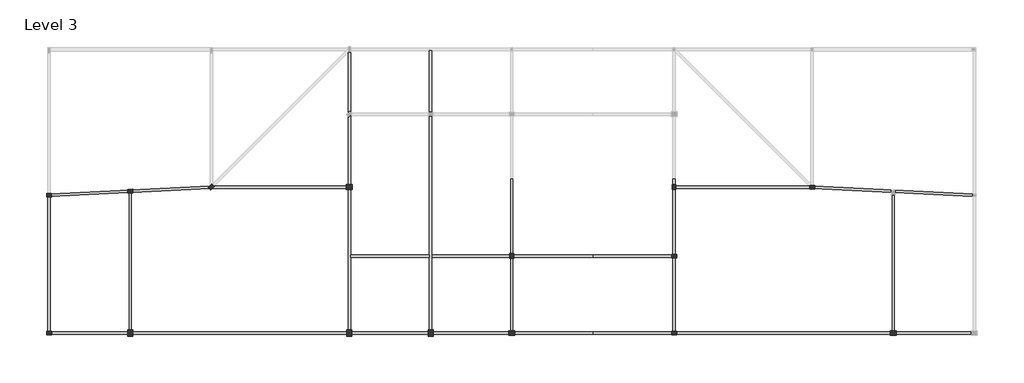
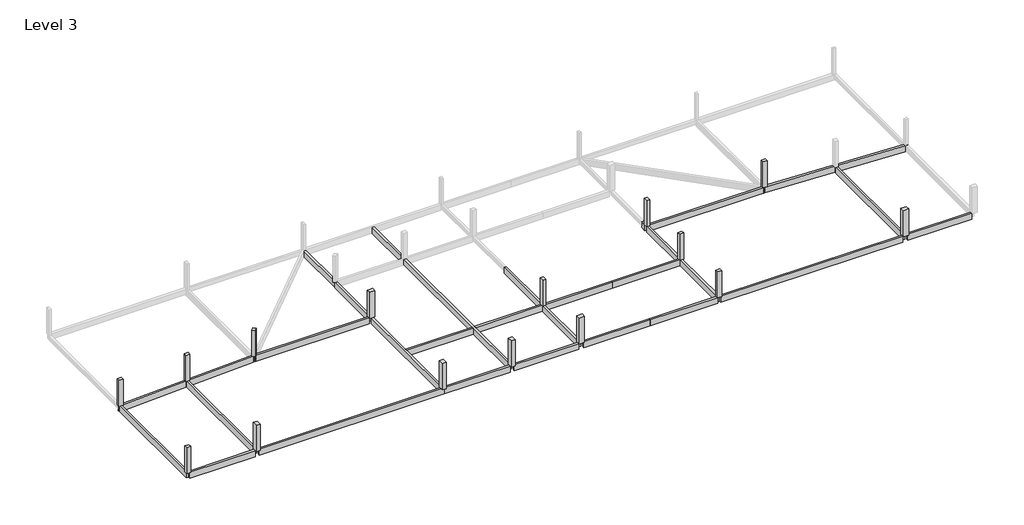
# One storey, part 1 of 2: 21 beams, 15 columns.
"""IFC4 building model written with IfcOpenShell, lengths in millimetres."""

from ifc_helpers import new_model, si_unit, frame, origin, place, context, project, spatial, polyline, outline, extrude, faceted_brep, element, save

model = new_model("IFC4")

# Units and contexts
model_context = context("Model", 3, world=origin())
ifc_project = project(units=[si_unit("LENGTHUNIT", "METRE", prefix="MILLI")], contexts=[model_context])

# Site, building, storey
site = spatial("IfcSite", under=ifc_project)
building = spatial("IfcBuilding", under=site)
storey = spatial("IfcBuildingStorey", under=building, Name="Level 3", Elevation=7000.0)

# Beams
placement = place(None, origin())
element("IfcBeam", 1, ObjectType="M_Concrete-Rectangular Beam : 300 x 900mm", at=placement, inside=storey, context=model_context, shape_type="Brep", body=[
    faceted_brep([(4827.3778836, -7184.5699055, 7000.0), (4827.3778836, -7104.0145569, 7000.0), (4742.5827798, -7188.8096607, 7000.0), (4827.3778836, -7184.5699055, 6100.0), (4742.5827798, -7188.8096607, 6100.0), (4827.3778836, -7104.0145569, 6100.0)], [[[0, 1, 2]], [[3, 0, 2, 4]], [[5, 3, 4]], [[0, 3, 5, 1]], [[2, 1, 5, 4]]]),
    faceted_brep([(4527.3778836, -6899.1951396, 7000.0), (4527.3778836, -6899.1951396, 6100.0), (-15472.6221164, -7899.1951396, 6100.0), (-15472.6221164, -7899.1951396, 6400.0), (-15472.6221164, -7899.1951396, 7000.0), (-15172.6221164, -7884.1951396, 7000.0), (4527.3778836, -6979.7504882, 7000.0), (4527.3778836, -6979.7504882, 6100.0), (-15472.6221164, -7924.2263701, 6100.0), (-15472.6221164, -7924.2263701, 7000.0), (4412.2128407, -7094.9155312, 6100.0), (4412.2128407, -7094.9155312, 7000.0), (4517.3677231, -7200.0704136, 7000.0), (4517.3677231, -7200.0704136, 6100.0), (-5176.5545868, -7459.4854546, 7000.0), (-5625.9931393, -7481.9573823, 7000.0), (-5625.9931393, -7481.9573823, 6100.0), (-5176.5545868, -7459.4854546, 6100.0), (-5165.318623, -7684.2047309, 7000.0), (-5165.318623, -7684.2047309, 6100.0), (-5614.7571755, -7706.6766585, 7000.0), (-5614.7571755, -7706.6766585, 6100.0), (-15029.2386168, -7902.0571951, 6100.0), (-15029.2386168, -7902.0571951, 7000.0), (-15016.7542126, -8151.7452799, 6100.0), (-15016.7542126, -8151.7452799, 7000.0), (-15472.6221164, -8174.538675, 6100.0), (-15472.6221164, -8174.538675, 7000.0), (-15472.6221164, -8199.5699055, 6100.0), (-15472.6221164, -8199.5699055, 7000.0), (-15172.6221164, -8184.5699055, 7000.0), (-15172.6221164, -8184.5699055, 6100.0)], [[[0, 1, 2, 3, 4, 5]], [[1, 0, 6, 7]], [[4, 3, 2, 8, 9]], [[10, 11, 12, 13]], [[11, 10, 7, 6]], [[14, 15, 16, 17]], [[18, 14, 17, 19]], [[15, 20, 21, 16]], [[22, 23, 9, 8]], [[23, 22, 24, 25]], [[25, 24, 26, 27]], [[28, 29, 27, 26]], [[0, 5, 4, 9, 23, 25, 27, 29, 30, 20, 15, 14, 18, 12, 11, 6]], [[13, 12, 18, 19]], [[2, 1, 7, 10, 13, 19, 17, 16, 21, 31, 28, 26, 24, 22, 8]], [[29, 28, 31, 21, 20, 30]]]),
])
element("IfcBeam", 2, ObjectType="M_Concrete-Rectangular Beam : 300 x 900mm", at=placement, inside=storey, context=model_context, shape_type="SweptSolid", body=[
    extrude(outline(polyline([(-15472.6221164, -8199.5699055), (-15172.6221164, -8184.5699055), (-15172.6221164, -24891.8825226), (-15472.6221164, -24891.8825226), (-15472.6221164, -8199.5699055)])), frame((0.0, 0.0, 6100.0), z_axis=(0.0, 0.0, 1.0), x_axis=(1.0, 0.0, 0.0)), (0.0, 0.0, 1.0), 900.0),
])
element("IfcBeam", 3, ObjectType="M_Concrete-Rectangular Beam : 300 x 900mm", at=placement, inside=storey, context=model_context, shape_type="Brep", body=[
    faceted_brep([(21827.3778836, -25191.8825226, 7000.0), (21827.3778836, -24891.8825226, 7000.0), (21527.3778836, -24891.8825226, 7000.0), (-5022.6221164, -24891.8825226, 7000.0), (-5022.6221164, -25191.8825226, 7000.0), (21827.3778836, -25191.8825226, 6100.0), (-5022.6221164, -25191.8825226, 6100.0), (21827.3778836, -24891.8825226, 6100.0), (-5022.6221164, -24891.8825226, 6100.0), (21527.3778836, -24891.8825226, 6100.0)], [[[0, 1, 2, 3, 4]], [[5, 0, 4, 6]], [[7, 5, 6, 8, 9]], [[1, 7, 9, 8, 3, 2]], [[1, 0, 5, 7]], [[4, 3, 8, 6]]]),
    faceted_brep([(-15097.6221164, -25191.8825226, 7000.0), (-15097.6221164, -24891.8825226, 7000.0), (-15097.6221164, -24891.8825226, 6100.0), (-15097.6221164, -25191.8825226, 6100.0), (-5622.6221164, -24891.8825226, 7000.0), (-5622.6221164, -25191.8825226, 7000.0), (-5622.6221164, -25191.8825226, 6100.0), (-5622.6221164, -24891.8825226, 6100.0)], [[[0, 1, 2, 3]], [[4, 5, 6, 7]], [[1, 0, 5, 4]], [[0, 3, 6, 5]], [[3, 2, 7, 6]], [[2, 1, 4, 7]]]),
])
element("IfcBeam", 4, ObjectType="M_Concrete-Rectangular Beam : 300 x 900mm", at=placement, inside=storey, context=model_context, shape_type="Brep", body=[
    faceted_brep([(21527.3778836, -24891.8825226, 7000.0), (21827.3778836, -24891.8825226, 7000.0), (21827.3778836, -15691.8825226, 7000.0), (21827.3778836, -15391.8825226, 7000.0), (21827.3778836, -7341.8825226, 7000.0), (21527.3778836, -7341.8825226, 7000.0), (21527.3778836, -24891.8825226, 6100.0), (21527.3778836, -7341.8825226, 6100.0), (21827.3778836, -24891.8825226, 6100.0), (21827.3778836, -7341.8825226, 6100.0), (21827.3778836, -15391.8825226, 6100.0), (21827.3778836, -15691.8825226, 6100.0)], [[[0, 1, 2, 3, 4, 5]], [[6, 0, 5, 7]], [[8, 6, 7, 9, 10, 11]], [[1, 8, 11, 10, 9, 4, 3, 2]], [[1, 0, 6, 8]], [[5, 4, 9, 7]]]),
    faceted_brep([(21527.3778836, 9595.9854431, 7000.0), (21827.3778836, 9895.9854431, 7000.0), (21827.3778836, 9895.9854431, 6100.0), (21527.3778836, 9595.9854431, 6100.0), (21730.4108922, 2223.2825204, 6100.0), (21730.4108922, 2223.2825204, 7000.0), (21527.3778836, 2020.2495118, 7000.0), (21527.3778836, 2020.2495118, 6100.0), (21827.3778836, 2126.315529, 6100.0), (21827.3778836, 2126.315529, 7000.0), (21827.3778836, 9608.1174774, 7000.0), (21827.3778836, 9808.1174774, 7000.0), (21827.3778836, 9808.1174774, 6100.0)], [[[0, 1, 2, 3]], [[4, 5, 6, 7]], [[5, 4, 8, 9]], [[1, 0, 6, 5, 9, 10, 11]], [[0, 3, 7, 6]], [[3, 2, 12, 8, 4, 7]], [[2, 1, 11, 10, 9, 8, 12]]]),
    faceted_brep([(21624.344875, 1692.9524345, 6100.0), (21624.344875, 1692.9524345, 7000.0), (21827.3778836, 1895.9854431, 7000.0), (21827.3778836, 1895.9854431, 6100.0), (21527.3778836, 1789.9194259, 6100.0), (21527.3778836, 1789.9194259, 7000.0), (21827.3778836, -6741.8825226, 7000.0), (21527.3778836, -6741.8825226, 7000.0), (21527.3778836, -6741.8825226, 6100.0), (21827.3778836, -6741.8825226, 6100.0), (21827.3778836, 1808.1174774, 7000.0), (21827.3778836, 1808.1174774, 6100.0)], [[[0, 1, 2, 3]], [[1, 0, 4, 5]], [[6, 7, 8, 9]], [[2, 1, 5, 7, 6, 10]], [[5, 4, 8, 7]], [[0, 3, 11, 9, 8, 4]], [[3, 2, 10, 6, 9, 11]]]),
])
element("IfcBeam", 5, ObjectType="M_Concrete-Rectangular Beam : 300 x 900mm", at=placement, inside=storey, context=model_context, shape_type="SweptSolid", body=[
    extrude(outline(polyline([(-5472.6221164, -7774.663597), (-5172.6221164, -7759.663597), (-5172.6221164, -24666.8825226), (-5472.6221164, -24666.8825226), (-5472.6221164, -7774.663597)])), frame((0.0, 0.0, 6100.0), z_axis=(0.0, 0.0, 1.0), x_axis=(1.0, 0.0, 0.0)), (0.0, 0.0, 1.0), 900.0),
])
element("IfcBeam", 6, ObjectType="M_Concrete-Rectangular Beam : 300 x 900mm", at=placement, inside=storey, context=model_context, shape_type="Brep", body=[
    faceted_brep([(4827.3778836, -7104.0145569, 7000.0), (4827.3778836, -7184.5699055, 7000.0), (4742.5827798, -7188.8096607, 7000.0), (4739.509918, -7191.8825226, 7000.0), (21302.3778836, -7191.8825226, 7000.0), (21302.3778836, -6891.8825226, 7000.0), (5039.509918, -6891.8825226, 7000.0), (4942.5429266, -6988.849514, 7000.0), (4739.509918, -7191.8825226, 6100.0), (21302.3778836, -7191.8825226, 6100.0), (4827.3778836, -7184.5699055, 6100.0), (4827.3778836, -7104.0145569, 6100.0), (4942.5429266, -6988.849514, 6100.0), (5039.509918, -6891.8825226, 6100.0), (21302.3778836, -6891.8825226, 6100.0), (4742.5827798, -7188.8096607, 6100.0)], [[[0, 1, 2, 3, 4, 5, 6, 7]], [[3, 8, 9, 4]], [[10, 11, 12, 13, 14, 9, 8, 15]], [[13, 6, 5, 14]], [[6, 13, 12, 11, 0, 7]], [[1, 10, 15, 2]], [[10, 1, 0, 11]], [[8, 3, 2, 15]], [[5, 4, 9, 14]]]),
])
element("IfcBeam", 7, ObjectType="M_Concrete-Rectangular Beam : 300 x 900mm", at=placement, inside=storey, context=model_context, shape_type="Brep", body=[
    faceted_brep([(41827.3778836, -15766.8825226, 7000.0), (41527.3778836, -15766.8825226, 7000.0), (41527.3778836, -24741.8825226, 7000.0), (41827.3778836, -24741.8825226, 7000.0), (41827.3778836, -15766.8825226, 6100.0), (41827.3778836, -24741.8825226, 6100.0), (41527.3778836, -15766.8825226, 6100.0), (41527.3778836, -24741.8825226, 6100.0)], [[[0, 1, 2, 3]], [[4, 0, 3, 5]], [[6, 4, 5, 7]], [[1, 6, 7, 2]], [[1, 0, 4, 6]], [[3, 2, 7, 5]]]),
    faceted_brep([(41527.3778836, -6041.8825226, 6100.0), (41527.3778836, -6041.8825226, 6400.0), (41527.3778836, -6041.8825226, 7000.0), (41827.3778836, -6041.8825226, 7000.0), (41827.3778836, -6041.8825226, 6400.0), (41827.3778836, -6041.8825226, 6100.0), (41827.3778836, -15316.8825226, 7000.0), (41527.3778836, -15316.8825226, 7000.0), (41527.3778836, -15316.8825226, 6100.0), (41827.3778836, -15316.8825226, 6100.0)], [[[0, 1, 2, 3, 4, 5]], [[6, 7, 8, 9]], [[3, 2, 7, 6]], [[5, 4, 3, 6, 9]], [[0, 5, 9, 8]], [[2, 1, 0, 8, 7]]]),
])
element("IfcBeam", 8, ObjectType="M_Concrete-Rectangular Beam : 300 x 900mm", at=placement, inside=storey, context=model_context, shape_type="Brep", body=[
    faceted_brep([(31827.3778836, 1808.1174774, 7000.0), (31527.3778836, 1808.1174774, 7000.0), (31527.3778836, -15391.8825226, 7000.0), (31527.3778836, -15691.8825226, 7000.0), (31527.3778836, -24666.8825226, 7000.0), (31827.3778836, -24666.8825226, 7000.0), (31827.3778836, -15691.8825226, 7000.0), (31827.3778836, -15391.8825226, 7000.0), (31827.3778836, 1808.1174774, 6100.0), (31827.3778836, -24666.8825226, 6100.0), (31827.3778836, -15691.8825226, 6100.0), (31827.3778836, -15391.8825226, 6100.0), (31527.3778836, 1808.1174774, 6100.0), (31527.3778836, -24666.8825226, 6100.0), (31527.3778836, -15691.8825226, 6100.0), (31527.3778836, -15391.8825226, 6100.0)], [[[0, 1, 2, 3, 4, 5, 6, 7]], [[8, 0, 7, 6, 5, 9, 10, 11]], [[12, 8, 11, 10, 9, 13, 14, 15]], [[1, 12, 15, 14, 13, 4, 3, 2]], [[1, 0, 8, 12]], [[5, 4, 13, 9]]]),
    faceted_brep([(31527.3778836, 9808.1174774, 7000.0), (31827.3778836, 9808.1174774, 7000.0), (31827.3778836, 9808.1174774, 6100.0), (31527.3778836, 9808.1174774, 6100.0), (31827.3778836, 2108.1174774, 7000.0), (31527.3778836, 2108.1174774, 7000.0), (31527.3778836, 2108.1174774, 6100.0), (31827.3778836, 2108.1174774, 6100.0)], [[[0, 1, 2, 3]], [[4, 5, 6, 7]], [[1, 0, 5, 4]], [[2, 1, 4, 7]], [[3, 2, 7, 6]], [[0, 3, 6, 5]]]),
])
element("IfcBeam", 9, ObjectType="M_Concrete-Rectangular Beam : 300 x 900mm", at=placement, inside=storey, context=model_context, shape_type="SweptSolid", body=[
    extrude(outline(polyline([(31977.3778836, -25191.8825226), (31977.3778836, -24891.8825226), (41302.3778836, -24891.8825226), (41302.3778836, -25191.8825226), (31977.3778836, -25191.8825226)])), frame((0.0, 0.0, 6100.0), z_axis=(0.0, 0.0, 1.0), x_axis=(1.0, 0.0, 0.0)), (0.0, 0.0, 1.0), 900.0),
])
element("IfcBeam", 10, ObjectType="M_Concrete-Rectangular Beam : 300 x 900mm", at=placement, inside=storey, context=model_context, shape_type="SweptSolid", body=[
    extrude(outline(polyline([(41527.3778836, -15391.8825226), (41527.3778836, -15691.8825226), (31827.3778836, -15691.8825226), (31827.3778836, -15391.8825226), (41527.3778836, -15391.8825226)])), frame((0.0, 0.0, 6100.0), z_axis=(0.0, 0.0, 1.0), x_axis=(1.0, 0.0, 0.0)), (0.0, 0.0, 1.0), 900.0),
])
element("IfcBeam", 11, ObjectType="M_Concrete-Rectangular Beam : 300 x 900mm", at=placement, inside=storey, context=model_context, shape_type="SweptSolid", body=[
    extrude(outline(polyline([(21827.3778836, -25191.8825226), (21827.3778836, -24891.8825226), (31377.3778836, -24891.8825226), (31377.3778836, -25191.8825226), (21827.3778836, -25191.8825226)])), frame((0.0, 0.0, 6100.0), z_axis=(0.0, 0.0, 1.0), x_axis=(1.0, 0.0, 0.0)), (0.0, 0.0, 1.0), 900.0),
])
element("IfcBeam", 12, ObjectType="M_Concrete-Rectangular Beam : 300 x 900mm", at=placement, inside=storey, context=model_context, shape_type="SweptSolid", body=[
    extrude(outline(polyline([(31527.3778836, -15391.8825226), (31527.3778836, -15691.8825226), (21827.3778836, -15691.8825226), (21827.3778836, -15391.8825226), (31527.3778836, -15391.8825226)])), frame((0.0, 0.0, 6100.0), z_axis=(0.0, 0.0, 1.0), x_axis=(1.0, 0.0, 0.0)), (0.0, 0.0, 1.0), 900.0),
])
element("IfcBeam", 13, ObjectType="M_Concrete-Rectangular Beam : 300 x 900mm", at=placement, inside=storey, context=model_context, shape_type="Brep", body=[
    faceted_brep([(78527.3778836, -7104.0145569, 7000.0), (78527.3778836, -7184.5699055, 7000.0), (78673.6302244, -7191.8825226, 7000.0), (88527.3778836, -7684.5699055, 7000.0), (88527.3778836, -7467.0699055, 7000.0), (88827.3778836, -7467.0699055, 7000.0), (88827.3778836, -7699.5699055, 7000.0), (98452.3778836, -8180.8199055, 7000.0), (98452.3778836, -7891.8825226, 7000.0), (98681.1255428, -7891.8825226, 7000.0), (98527.3778836, -7884.1951396, 7000.0), (78827.3778836, -6899.1951396, 7000.0), (78827.3778836, -6979.7504882, 7000.0), (78827.3778836, -7104.0145569, 7000.0), (78527.3778836, -7184.5699055, 6100.0), (78673.6302244, -7191.8825226, 6100.0), (88527.3778836, -7684.5699055, 6100.0), (78527.3778836, -7104.0145569, 6100.0), (78827.3778836, -7104.0145569, 6100.0), (78827.3778836, -6979.7504882, 6100.0), (78827.3778836, -6899.1951396, 6100.0), (98681.1255428, -7891.8825226, 6100.0), (98452.3778836, -7891.8825226, 6100.0), (98452.3778836, -8180.8199055, 6100.0), (88827.3778836, -7699.5699055, 6100.0), (88827.3778836, -7467.0699055, 6100.0), (88527.3778836, -7467.0699055, 6100.0), (98681.1255428, -7891.8825226, 6400.0)], [[[0, 1, 2, 3, 4, 5, 6, 7, 8, 9, 10, 11, 12, 13]], [[1, 14, 15, 16, 3, 2]], [[14, 17, 18, 19, 20, 21, 22, 23, 24, 25, 26, 16, 15]], [[20, 11, 10, 9, 27, 21]], [[11, 20, 19, 18, 13, 12]], [[14, 1, 0, 17]], [[13, 18, 17, 0]], [[8, 22, 21, 27, 9]], [[22, 8, 7, 23]], [[5, 25, 24, 6]], [[26, 4, 3, 16]], [[4, 26, 25, 5]], [[23, 7, 6, 24]]]),
    faceted_brep([(98827.3778836, -8199.5699055, 7000.0), (98827.3778836, -8199.5699055, 6100.0), (98827.3778836, -8191.8825226, 6100.0), (98827.3778836, -8191.8825226, 7000.0), (98673.6302244, -8191.8825226, 7000.0), (98673.6302244, -8191.8825226, 6100.0)], [[[0, 1, 2, 3]], [[4, 3, 2, 5]], [[0, 3, 4]], [[1, 0, 4, 5]], [[2, 1, 5]]]),
])
element("IfcBeam", 14, ObjectType="M_Concrete-Rectangular Beam : 300 x 900mm", at=placement, inside=storey, context=model_context, shape_type="SweptSolid", body=[
    extrude(outline(polyline([(61902.3778836, -25191.8825226), (61902.3778836, -24891.8825226), (88302.3778836, -24891.8825226), (88302.3778836, -25191.8825226), (61902.3778836, -25191.8825226)])), frame((0.0, 0.0, 6100.0), z_axis=(0.0, 0.0, 1.0), x_axis=(1.0, 0.0, 0.0)), (0.0, 0.0, 1.0), 900.0),
    extrude(outline(polyline([(89052.3778836, -25191.8825226), (89052.3778836, -24891.8825226), (98302.3778836, -24891.8825226), (98302.3778836, -25191.8825226), (89052.3778836, -25191.8825226)])), frame((0.0, 0.0, 6100.0), z_axis=(0.0, 0.0, 1.0), x_axis=(1.0, 0.0, 0.0)), (0.0, 0.0, 1.0), 900.0),
])
element("IfcBeam", 15, ObjectType="M_Concrete-Rectangular Beam : 300 x 900mm", at=placement, inside=storey, context=model_context, shape_type="Brep", body=[
    faceted_brep([(61527.3778836, -24891.8825226, 7000.0), (61827.3778836, -24891.8825226, 7000.0), (61827.3778836, -15691.8825226, 7000.0), (61527.3778836, -15691.8825226, 7000.0), (61827.3778836, -24891.8825226, 6100.0), (61827.3778836, -15691.8825226, 6100.0), (61527.3778836, -24891.8825226, 6100.0), (61527.3778836, -15691.8825226, 6100.0)], [[[0, 1, 2, 3]], [[1, 4, 5, 2]], [[4, 6, 7, 5]], [[6, 0, 3, 7]], [[1, 0, 6, 4]], [[3, 2, 5, 7]]]),
    faceted_brep([(61527.3778836, -6041.8825226, 6100.0), (61527.3778836, -6041.8825226, 6400.0), (61527.3778836, -6041.8825226, 7000.0), (61827.3778836, -6041.8825226, 7000.0), (61827.3778836, -6041.8825226, 6400.0), (61827.3778836, -6041.8825226, 6100.0), (61827.3778836, -6816.8825226, 7000.0), (61527.3778836, -6816.8825226, 7000.0), (61527.3778836, -6816.8825226, 6100.0), (61827.3778836, -6816.8825226, 6100.0)], [[[0, 1, 2, 3, 4, 5]], [[6, 7, 8, 9]], [[3, 2, 7, 6]], [[5, 4, 3, 6, 9]], [[0, 5, 9, 8]], [[2, 1, 0, 8, 7]]]),
    faceted_brep([(61527.3778836, -7266.8825226, 7000.0), (61827.3778836, -7266.8825226, 7000.0), (61827.3778836, -7266.8825226, 6100.0), (61527.3778836, -7266.8825226, 6100.0), (61827.3778836, -15391.8825226, 7000.0), (61527.3778836, -15391.8825226, 7000.0), (61527.3778836, -15391.8825226, 6100.0), (61827.3778836, -15391.8825226, 6100.0)], [[[0, 1, 2, 3]], [[4, 5, 6, 7]], [[1, 0, 5, 4]], [[2, 1, 4, 7]], [[3, 2, 7, 6]], [[0, 3, 6, 5]]]),
])
element("IfcBeam", 16, ObjectType="M_Concrete-Rectangular Beam : 300 x 900mm", at=placement, inside=storey, context=model_context, shape_type="SweptSolid", body=[
    extrude(outline(polyline([(88527.3778836, -7917.0699055), (88827.3778836, -7917.0699055), (88827.3778836, -24741.8825226), (88527.3778836, -24741.8825226), (88527.3778836, -7917.0699055)])), frame((0.0, 0.0, 6100.0), z_axis=(0.0, 0.0, 1.0), x_axis=(1.0, 0.0, 0.0)), (0.0, 0.0, 1.0), 900.0),
])
element("IfcBeam", 17, ObjectType="M_Concrete-Rectangular Beam : 300 x 900mm", at=placement, inside=storey, context=model_context, shape_type="SweptSolid", body=[
    extrude(outline(polyline([(78315.2458493, -6891.8825226), (78527.3778836, -7104.0145569), (78527.3778836, -7184.5699055), (78673.6302244, -7191.8825226), (61827.3778836, -7191.8825226), (61827.3778836, -6891.8825226), (78315.2458493, -6891.8825226)])), frame((0.0, 0.0, 6100.0), z_axis=(0.0, 0.0, 1.0), x_axis=(1.0, 0.0, 0.0)), (0.0, 0.0, 1.0), 900.0),
])
element("IfcBeam", 18, ObjectType="M_Concrete-Rectangular Beam : 300 x 900mm", at=placement, inside=storey, context=model_context, shape_type="SweptSolid", body=[
    extrude(outline(polyline([(51677.3778836, -24891.8825226), (51677.3778836, -25191.8825226), (42052.3778836, -25191.8825226), (42052.3778836, -24891.8825226), (51677.3778836, -24891.8825226)])), frame((0.0, 0.0, 6100.0), z_axis=(0.0, 0.0, 1.0), x_axis=(1.0, 0.0, 0.0)), (0.0, 0.0, 1.0), 900.0),
])
element("IfcBeam", 19, ObjectType="M_Concrete-Rectangular Beam : 300 x 900mm", at=placement, inside=storey, context=model_context, shape_type="SweptSolid", body=[
    extrude(outline(polyline([(51677.3778836, -15391.8825226), (51677.3778836, -15691.8825226), (41827.3778836, -15691.8825226), (41827.3778836, -15391.8825226), (51677.3778836, -15391.8825226)])), frame((0.0, 0.0, 6100.0), z_axis=(0.0, 0.0, 1.0), x_axis=(1.0, 0.0, 0.0)), (0.0, 0.0, 1.0), 900.0),
])
element("IfcBeam", 20, ObjectType="M_Concrete-Rectangular Beam : 300 x 900mm", at=placement, inside=storey, context=model_context, shape_type="SweptSolid", body=[
    extrude(outline(polyline([(51677.3778836, -25191.8825226), (51677.3778836, -24891.8825226), (61452.3778836, -24891.8825226), (61452.3778836, -25191.8825226), (51677.3778836, -25191.8825226)])), frame((0.0, 0.0, 6100.0), z_axis=(0.0, 0.0, 1.0), x_axis=(1.0, 0.0, 0.0)), (0.0, 0.0, 1.0), 900.0),
])
element("IfcBeam", 21, ObjectType="M_Concrete-Rectangular Beam : 300 x 900mm", at=placement, inside=storey, context=model_context, shape_type="SweptSolid", body=[
    extrude(outline(polyline([(51677.3778836, -15691.8825226), (51677.3778836, -15391.8825226), (61452.3778836, -15391.8825226), (61452.3778836, -15691.8825226), (51677.3778836, -15691.8825226)])), frame((0.0, 0.0, 6100.0), z_axis=(0.0, 0.0, 1.0), x_axis=(1.0, 0.0, 0.0)), (0.0, 0.0, 1.0), 900.0),
])

# Columns
element("IfcColumn", 22, ObjectType="M_Concrete-Rectangular-Column : 450 x 600mm", at=placement, inside=storey, context=model_context, shape_type="Brep", body=[
    faceted_brep([(78377.3778836, -6816.8825226, 7000.0), (78977.3778836, -6816.8825226, 7000.0), (78977.3778836, -7266.8825226, 7000.0), (78377.3778836, -7266.8825226, 7000.0), (78377.3778836, -6816.8825226, 11000.0), (78977.3778836, -6816.8825226, 11000.0), (78377.3778836, -6816.8825226, 9100.0), (78377.3778836, -6816.8825226, 10000.0), (78977.3778836, -7266.8825226, 11000.0), (78377.3778836, -7266.8825226, 11000.0)], [[[0, 1, 2, 3]], [[4, 5, 1, 0, 6, 7]], [[5, 8, 2, 1]], [[8, 9, 3, 2]], [[9, 4, 7, 6, 0, 3]], [[4, 9, 8, 5]]]),
])
element("IfcColumn", 23, ObjectType="M_Concrete-Rectangular-Column : 450 x 600mm", at=placement, inside=storey, context=model_context, shape_type="SweptSolid", body=[
    extrude(outline(polyline([(61452.3778836, -7341.8825226), (61452.3778836, -6741.8825226), (61902.3778836, -6741.8825226), (61902.3778836, -7341.8825226), (61452.3778836, -7341.8825226)])), frame((0.0, 0.0, 7000.0), z_axis=(0.0, 0.0, 1.0), x_axis=(1.0, 0.0, 0.0)), (0.0, 0.0, 1.0), 4000.0),
])
element("IfcColumn", 24, ObjectType="M_Concrete-Rectangular-Column : 450 x 600mm", at=placement, inside=storey, context=model_context, shape_type="SweptSolid", body=[
    extrude(outline(polyline([(41452.3778836, -15841.8825226), (41452.3778836, -15241.8825226), (41902.3778836, -15241.8825226), (41902.3778836, -15841.8825226), (41452.3778836, -15841.8825226)])), frame((0.0, 0.0, 7000.0), z_axis=(0.0, 0.0, 1.0), x_axis=(1.0, 0.0, 0.0)), (0.0, 0.0, 1.0), 4000.0),
])
element("IfcColumn", 25, ObjectType="M_Concrete-Rectangular-Column : 450 x 600mm", at=placement, inside=storey, context=model_context, shape_type="SweptSolid", body=[
    extrude(outline(polyline([(61977.3778836, -15766.8825226), (61377.3778836, -15766.8825226), (61377.3778836, -15316.8825226), (61977.3778836, -15316.8825226), (61977.3778836, -15766.8825226)])), frame((0.0, 0.0, 7000.0), z_axis=(0.0, 0.0, 1.0), x_axis=(1.0, 0.0, 0.0)), (0.0, 0.0, 1.0), 4000.0),
])
element("IfcColumn", 26, ObjectType="M_Concrete-Rectangular-Column : 450 x 600mm", at=placement, inside=storey, context=model_context, shape_type="SweptSolid", body=[
    extrude(outline(polyline([(61977.3778836, -25266.8825226), (61377.3778836, -25266.8825226), (61377.3778836, -24816.8825226), (61977.3778836, -24816.8825226), (61977.3778836, -25266.8825226)])), frame((0.0, 0.0, 7000.0), z_axis=(0.0, 0.0, 1.0), x_axis=(1.0, 0.0, 0.0)), (0.0, 0.0, 1.0), 4000.0),
])
element("IfcColumn", 27, ObjectType="M_Concrete-Rectangular-Column : 450 x 600mm", at=placement, inside=storey, context=model_context, shape_type="Brep", body=[
    faceted_brep([(5048.6089437, -6988.849514, 7000.0), (4624.344875, -7413.1135827, 7000.0), (4306.1468235, -7094.9155312, 7000.0), (4730.4108922, -6670.6514625, 7000.0), (5048.6089437, -6988.849514, 11000.0), (4624.344875, -7413.1135827, 11000.0), (5048.6089437, -6988.849514, 9100.0), (5048.6089437, -6988.849514, 10000.0), (4306.1468235, -7094.9155312, 11000.0), (4306.1468235, -7094.9155312, 10000.0), (4306.1468235, -7094.9155312, 9100.0), (4730.4108922, -6670.6514625, 11000.0), (4730.4108922, -6670.6514625, 10000.0), (4730.4108922, -6670.6514625, 9100.0)], [[[0, 1, 2, 3]], [[4, 5, 1, 0, 6, 7]], [[5, 8, 9, 10, 2, 1]], [[8, 11, 12, 13, 3, 2, 10, 9]], [[11, 4, 7, 6, 0, 3, 13, 12]], [[4, 11, 8, 5]]]),
])
element("IfcColumn", 28, ObjectType="M_Concrete-Rectangular-Column : 450 x 600mm", at=placement, inside=storey, context=model_context, shape_type="SweptSolid", body=[
    extrude(outline(polyline([(-5633.4837819, -7332.1445314), (-5034.2323785, -7302.1819613), (-5011.7604509, -7751.6205137), (-5611.0118542, -7781.5830839), (-5633.4837819, -7332.1445314)])), frame((0.0, 0.0, 7000.0), z_axis=(0.0, 0.0, 1.0), x_axis=(1.0, 0.0, 0.0)), (0.0, 0.0, 1.0), 4000.0),
])
element("IfcColumn", 29, ObjectType="M_Concrete-Rectangular-Column : 450 x 600mm", at=placement, inside=storey, context=model_context, shape_type="SweptSolid", body=[
    extrude(outline(polyline([(-15633.4837819, -7832.1445314), (-15034.2323785, -7802.1819613), (-15011.7604509, -8251.6205137), (-15611.0118542, -8281.5830839), (-15633.4837819, -7832.1445314)])), frame((0.0, 0.0, 7000.0), z_axis=(0.0, 0.0, 1.0), x_axis=(1.0, 0.0, 0.0)), (0.0, 0.0, 1.0), 4000.0),
])
element("IfcColumn", 30, ObjectType="M_Concrete-Rectangular-Column : 450 x 600mm", at=placement, inside=storey, context=model_context, shape_type="SweptSolid", body=[
    extrude(outline(polyline([(-15022.6221164, -25266.8825226), (-15622.6221164, -25266.8825226), (-15622.6221164, -24816.8825226), (-15022.6221164, -24816.8825226), (-15022.6221164, -25266.8825226)])), frame((0.0, 0.0, 7000.0), z_axis=(0.0, 0.0, 1.0), x_axis=(1.0, 0.0, 0.0)), (0.0, 0.0, 1.0), 4000.0),
])
element("IfcColumn", 31, ObjectType="M_Concrete-Rectangular-Column : 600 x 750mm", at=placement, inside=storey, context=model_context, shape_type="SweptSolid", body=[
    extrude(outline(polyline([(-5022.6221164, -24666.8825226), (-5022.6221164, -25416.8825226), (-5622.6221164, -25416.8825226), (-5622.6221164, -24666.8825226), (-5022.6221164, -24666.8825226)])), frame((0.0, 0.0, 7000.0), z_axis=(0.0, 0.0, 1.0), x_axis=(1.0, 0.0, 0.0)), (0.0, 0.0, 1.0), 4000.0),
])
element("IfcColumn", 32, ObjectType="M_Concrete-Rectangular-Column : 600 x 750mm", at=placement, inside=storey, context=model_context, shape_type="SweptSolid", body=[
    extrude(outline(polyline([(21977.3778836, -24666.8825226), (21977.3778836, -25416.8825226), (21377.3778836, -25416.8825226), (21377.3778836, -24666.8825226), (21977.3778836, -24666.8825226)])), frame((0.0, 0.0, 7000.0), z_axis=(0.0, 0.0, 1.0), x_axis=(1.0, 0.0, 0.0)), (0.0, 0.0, 1.0), 4000.0),
])
element("IfcColumn", 33, ObjectType="M_Concrete-Rectangular-Column : 600 x 750mm", at=placement, inside=storey, context=model_context, shape_type="SweptSolid", body=[
    extrude(outline(polyline([(31977.3778836, -24666.8825226), (31977.3778836, -25416.8825226), (31377.3778836, -25416.8825226), (31377.3778836, -24666.8825226), (31977.3778836, -24666.8825226)])), frame((0.0, 0.0, 7000.0), z_axis=(0.0, 0.0, 1.0), x_axis=(1.0, 0.0, 0.0)), (0.0, 0.0, 1.0), 4000.0),
])
element("IfcColumn", 34, ObjectType="M_Concrete-Rectangular-Column : 600 x 750mm", at=placement, inside=storey, context=model_context, shape_type="SweptSolid", body=[
    extrude(outline(polyline([(41302.3778836, -24741.8825226), (42052.3778836, -24741.8825226), (42052.3778836, -25341.8825226), (41302.3778836, -25341.8825226), (41302.3778836, -24741.8825226)])), frame((0.0, 0.0, 7000.0), z_axis=(0.0, 0.0, 1.0), x_axis=(1.0, 0.0, 0.0)), (0.0, 0.0, 1.0), 4000.0),
])
element("IfcColumn", 35, ObjectType="M_Concrete-Rectangular-Column : 600 x 750mm", at=placement, inside=storey, context=model_context, shape_type="SweptSolid", body=[
    extrude(outline(polyline([(88302.3778836, -24741.8825226), (89052.3778836, -24741.8825226), (89052.3778836, -25341.8825226), (88302.3778836, -25341.8825226), (88302.3778836, -24741.8825226)])), frame((0.0, 0.0, 7000.0), z_axis=(0.0, 0.0, 1.0), x_axis=(1.0, 0.0, 0.0)), (0.0, 0.0, 1.0), 4000.0),
])
element("IfcColumn", 36, ObjectType="M_Concrete-Rectangular-Column : 600 x 750mm", at=placement, inside=storey, context=model_context, shape_type="SweptSolid", body=[
    extrude(outline(polyline([(21302.3778836, -6741.8825226), (22052.3778836, -6741.8825226), (22052.3778836, -7341.8825226), (21302.3778836, -7341.8825226), (21302.3778836, -6741.8825226)])), frame((0.0, 0.0, 7000.0), z_axis=(0.0, 0.0, 1.0), x_axis=(1.0, 0.0, 0.0)), (0.0, 0.0, 1.0), 4000.0),
])

save(model, "model.ifc")
